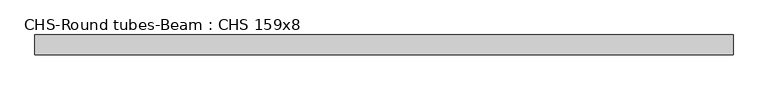
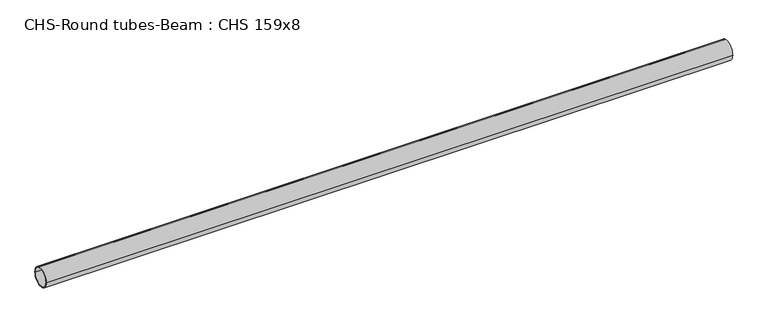
"""IFC4 building model written with IfcOpenShell, lengths in millimetres: beam geometry, CHS-Round tubes-Beam : CHS 159x8."""

import ifcopenshell
import ifcopenshell.guid

model = None  # the IFC model being written
_history = None  # IfcOwnerHistory: only IFC2X3 demands one
_inside = {}  # id of a spatial element -> (the spatial element, [elements in it])
_under = {}  # id of a project, library or spatial element -> (it, [spatial elements below it])
_declared = {}  # id of a project -> (the project, [libraries it declares])
_typed = {}  # id of a type object -> (the type object, [elements of that type])
_made_of = {}  # id of a material, layer set ... -> (it, [elements and type objects made of it])


def new_model(schema):
    """Start an empty IFC model of exactly this schema.

    Asked for "IFC4X3", IfcOpenShell would pick the latest addendum, in which some entities
    have other attributes; the version numbers below select the first issue.
    IFC2X3 requires an IfcOwnerHistory on every rooted entity: one is made here for all.
    """
    global model, _history
    if schema == "IFC4X3":
        model = ifcopenshell.file(schema_version=(4, 3, 0, 0))
    else:
        model = ifcopenshell.file(schema=schema)
    _inside.clear()
    _under.clear()
    _declared.clear()
    _typed.clear()
    _made_of.clear()
    _history = None
    if model.schema == "IFC2X3":
        org = make("IfcOrganization", Name="unknown")
        user = make(
            "IfcPersonAndOrganization",
            ThePerson=make("IfcPerson", FamilyName="unknown"),
            TheOrganization=org,
        )
        app = make(
            "IfcApplication",
            ApplicationDeveloper=org,
            Version="unknown",
            ApplicationFullName="unknown",
            ApplicationIdentifier="unknown",
        )
        _history = make(
            "IfcOwnerHistory",
            OwningUser=user,
            OwningApplication=app,
            ChangeAction="ADDED",
            CreationDate=0,
        )
    return model


def make(cls, **values):
    """One entity of the class cls with the attributes given. An attribute that is None is left unset."""
    return model.create_entity(
        cls, **{name: value for name, value in values.items() if value is not None}
    )


def rooted(cls, **values):
    """An entity with a GlobalId (a new one), such as an element, a storey or a relation."""
    return make(cls, GlobalId=ifcopenshell.guid.new(), OwnerHistory=_history, **values)


def si_unit(unit_type, name, prefix=None):
    """IfcSIUnit, for example si_unit("LENGTHUNIT", "METRE", prefix="MILLI")."""
    return make("IfcSIUnit", UnitType=unit_type, Prefix=prefix, Name=name)


def assignment(units):
    """IfcUnitAssignment: the units of a project."""
    return None if units is None else make("IfcUnitAssignment", Units=units)


def point(xyz):
    """IfcCartesianPoint."""
    return None if xyz is None else make("IfcCartesianPoint", Coordinates=xyz)


def direction(xyz):
    """IfcDirection."""
    return None if xyz is None else make("IfcDirection", DirectionRatios=xyz)


def frame(location, z_axis=None, x_axis=None):
    """IfcAxis2Placement3D, a coordinate frame: its origin and axes. An axis left out is left unset."""
    return make(
        "IfcAxis2Placement3D",
        Location=point(location),
        Axis=direction(z_axis),
        RefDirection=direction(x_axis),
    )


def frame_2d(location, x_axis=None):
    """IfcAxis2Placement2D, a coordinate frame in the plane: its origin and x axis."""
    return make(
        "IfcAxis2Placement2D", Location=point(location), RefDirection=direction(x_axis)
    )


def origin():
    """The frame at (0, 0, 0) with its axes left unset."""
    return frame((0.0, 0.0, 0.0))


def origin_2d():
    """The frame at (0, 0) in the plane with its x axis left unset."""
    return frame_2d((0.0, 0.0))


def place(relative_to, where):
    """IfcLocalPlacement: puts the frame where relative to a parent placement (None: the world)."""
    return make(
        "IfcLocalPlacement", PlacementRelTo=relative_to, RelativePlacement=where
    )


def context(
    kind, dimensions, precision=None, world=None, true_north=None, identifier=None
):
    """IfcGeometricRepresentationContext, for example the 3D "Model" context."""
    return make(
        "IfcGeometricRepresentationContext",
        ContextIdentifier=identifier,
        ContextType=kind,
        CoordinateSpaceDimension=dimensions,
        Precision=precision,
        WorldCoordinateSystem=world,
        TrueNorth=true_north,
    )


def project(units=None, contexts=None):
    """IfcProject with its units and contexts."""
    return rooted(
        "IfcProject",
        Name="project",
        RepresentationContexts=contexts,
        UnitsInContext=assignment(units),
    )


def spatial(cls, under=None, at=None, **own):
    """A site, building, storey or space (cls), placed at a placement, below another one or the project."""
    s = rooted(cls, ObjectPlacement=at, **own)
    if under is not None:
        _under.setdefault(under.id(), (under, []))[1].append(s)
    return s


def circle_curve(where, radius):
    """IfcCircle in the frame where."""
    return make("IfcCircle", Position=where, Radius=radius)


def trimmed(basis, trim1, trim2, sense, master):
    """IfcTrimmedCurve: the piece of a basis curve between two trims."""
    return make(
        "IfcTrimmedCurve",
        BasisCurve=basis,
        Trim1=trim1,
        Trim2=trim2,
        SenseAgreement=sense,
        MasterRepresentation=master,
    )


def segment(curve, same_sense, transition):
    """IfcCompositeCurveSegment."""
    return make(
        "IfcCompositeCurveSegment",
        Transition=transition,
        SameSense=same_sense,
        ParentCurve=curve,
    )


def composite_curve(segments, self_intersect=None):
    """IfcCompositeCurve: segments joined end to end."""
    return make("IfcCompositeCurve", Segments=segments, SelfIntersect=self_intersect)


def outline(outer, holes=None, kind="AREA"):
    """IfcArbitraryClosedProfileDef: a profile drawn as a closed curve; with holes, ...WithVoids."""
    if holes is None:
        return make("IfcArbitraryClosedProfileDef", ProfileType=kind, OuterCurve=outer)
    return make(
        "IfcArbitraryProfileDefWithVoids",
        ProfileType=kind,
        OuterCurve=outer,
        InnerCurves=holes,
    )


def extrude(swept, where, along, depth):
    """IfcExtrudedAreaSolid: the profile swept, set in the frame where, extruded along a direction by depth."""
    return make(
        "IfcExtrudedAreaSolid",
        SweptArea=swept,
        Position=where,
        ExtrudedDirection=direction(along),
        Depth=depth,
    )


def shape(context_of_items, identifier, shape_type, items):
    """IfcShapeRepresentation: the items that make up one representation, for example the "Body"."""
    return make(
        "IfcShapeRepresentation",
        ContextOfItems=context_of_items,
        RepresentationIdentifier=identifier,
        RepresentationType=shape_type,
        Items=items,
    )


def source(mapping_origin, context_of_items, identifier, shape_type, items):
    """IfcRepresentationMap: a shape defined once, which mapped items show again and again."""
    return make(
        "IfcRepresentationMap",
        MappingOrigin=mapping_origin,
        MappedRepresentation=shape(context_of_items, identifier, shape_type, items),
    )


def transform(
    local_origin,
    x_axis=None,
    y_axis=None,
    z_axis=None,
    scale=None,
    scale2=None,
    scale3=None,
    uniform=True,
):
    """IfcCartesianTransformationOperator3D, or its non-uniform kind. x_axis, y_axis, z_axis: its Axis1, 2, 3."""
    if uniform:
        return make(
            "IfcCartesianTransformationOperator3D",
            Axis1=direction(x_axis),
            Axis2=direction(y_axis),
            LocalOrigin=point(local_origin),
            Scale=scale,
            Axis3=direction(z_axis),
        )
    return make(
        "IfcCartesianTransformationOperator3DnonUniform",
        Axis1=direction(x_axis),
        Axis2=direction(y_axis),
        LocalOrigin=point(local_origin),
        Scale=scale,
        Axis3=direction(z_axis),
        Scale2=scale2,
        Scale3=scale3,
    )


def mapped(mapping_source, mapping_target):
    """IfcMappedItem: shows the shape of a source again, moved by a transform."""
    return make(
        "IfcMappedItem", MappingSource=mapping_source, MappingTarget=mapping_target
    )


def made_of(thing, what):
    """Note that an element or type object is made of a material, layer set ...; save() writes the relation."""
    if what is not None:
        _made_of.setdefault(what.id(), (what, []))[1].append(thing)
    return thing


def element(
    cls,
    number,
    at=None,
    inside=None,
    cuts=None,
    type_object=None,
    material=None,
    context=None,
    identifier="Body",
    shape_type=None,
    held_by="IfcProductDefinitionShape",
    body=None,
    shapes=None,
    **own,
):
    """One element of the class cls, such as IfcWall. Its Tag is "e" and its number.

    at: its placement. inside: the storey or other place that contains it. cuts: it is an
    opening in that element (IfcRelVoidsElement). A single representation is given by context,
    identifier, shape_type and body (its items); several are given by shapes. held_by: the class
    of the entity that holds the representations. save() writes the other relations.
    """
    e = rooted(cls, Tag="e%d" % number, ObjectPlacement=at, **own)
    if body is not None:
        shapes = [shape(context, identifier, shape_type, body)]
    if shapes is not None:
        e.Representation = make(held_by, Representations=shapes)
    if inside is not None:
        _inside.setdefault(inside.id(), (inside, []))[1].append(e)
    if cuts is not None:
        rooted(
            "IfcRelVoidsElement", RelatingBuildingElement=cuts, RelatedOpeningElement=e
        )
    if type_object is not None:
        _typed.setdefault(type_object.id(), (type_object, []))[1].append(e)
    return made_of(e, material)


def aggregate(whole, parts):
    """IfcRelAggregates: a whole, such as a stair, and the parts it consists of."""
    return rooted("IfcRelAggregates", RelatingObject=whole, RelatedObjects=parts)


def save(model, path):
    """Write the relations noted so far, then the file.

    IfcRelAggregates (storeys below a building ...), IfcRelContainedInSpatialStructure (elements
    in a storey), IfcRelDefinesByType, IfcRelAssociatesMaterial and IfcRelDeclares: one each for
    every whole, place, type object, material and project.
    """
    for whole, parts in _under.values():
        aggregate(whole, parts)
    for where, things in _inside.values():
        rooted(
            "IfcRelContainedInSpatialStructure",
            RelatedElements=things,
            RelatingStructure=where,
        )
    for kind, things in _typed.values():
        rooted("IfcRelDefinesByType", RelatedObjects=things, RelatingType=kind)
    for what, things in _made_of.values():
        rooted("IfcRelAssociatesMaterial", RelatedObjects=things, RelatingMaterial=what)
    for by, libraries in _declared.values():
        rooted("IfcRelDeclares", RelatingContext=by, RelatedDefinitions=libraries)
    model.write(path)


def chs_round_tubes_beam_chs_159x8_d71690e9(model_context):
    return source(origin(), model_context, "Body", "SweptSolid", [
        extrude(outline(composite_curve([segment(trimmed(circle_curve(origin_2d(), 79.5), [point((79.5, 0.0))], [point((-79.5, 0.0))], False, "CARTESIAN"), True, "CONTINUOUS"), segment(trimmed(circle_curve(origin_2d(), 79.5), [point((-79.5, 0.0))], [point((79.5, 0.0))], False, "CARTESIAN"), True, "CONTINUOUS")], self_intersect=False), holes=[composite_curve([segment(trimmed(circle_curve(origin_2d(), 71.5), [point((71.5, 0.0))], [point((-71.5, 0.0))], True, "CARTESIAN"), True, "CONTINUOUS"), segment(trimmed(circle_curve(origin_2d(), 71.5), [point((-71.5, 0.0))], [point((71.5, 0.0))], True, "CARTESIAN"), True, "CONTINUOUS")], self_intersect=False)]), frame((-2802.1585906, 0.0, 0.0), z_axis=(1.0, 0.0, 0.0), x_axis=(0.0, 1.0, 0.0)), (0.0, 0.0, 1.0), 5607.1164493),
    ])


if __name__ == "__main__":
    model = new_model("IFC4")
    model_context = context("Model", 3, world=origin())
    ifc_project = project(units=[si_unit("LENGTHUNIT", "METRE", prefix="MILLI")], contexts=[model_context])
    site = spatial("IfcSite", under=ifc_project)
    building = spatial("IfcBuilding", under=site)
    placement = place(None, origin())
    chs_round_tubes_beam_chs_159x8_shape = chs_round_tubes_beam_chs_159x8_d71690e9(model_context)
    element("IfcBeam", 1, ObjectType="CHS-Round tubes-Beam : CHS 159x8", at=placement, inside=building, context=model_context, shape_type="MappedRepresentation", body=[
        mapped(chs_round_tubes_beam_chs_159x8_shape, transform((0.0, 0.0, 0.0), x_axis=(1.0, 0.0, 0.0), y_axis=(0.0, 1.0, 0.0), z_axis=(0.0, 0.0, 1.0))),
    ])
    save(model, "model.ifc")
